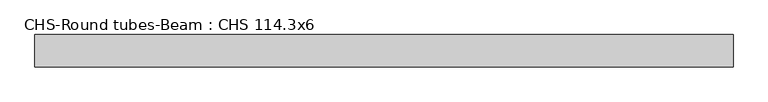
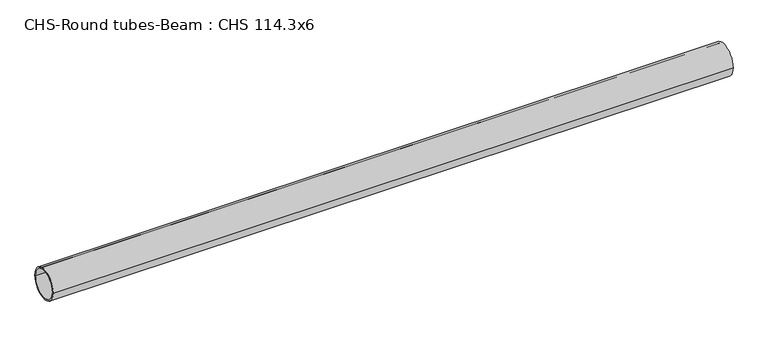
"""IFC4 building model written with IfcOpenShell, lengths in millimetres: beam geometry, CHS-Round tubes-Beam : CHS 114.3x6."""

from ifc_helpers import new_model, si_unit, point, frame, origin, origin_2d, place, context, project, spatial, circle_curve, trimmed, segment, composite_curve, outline, extrude, source, transform, mapped, element, save


def chs_round_tubes_beam_chs_114_3x6_41670b27(model_context):
    return source(origin(), model_context, "Body", "SweptSolid", [
        extrude(outline(composite_curve([segment(trimmed(circle_curve(origin_2d(), 57.15), [point((57.15, 0.0))], [point((-57.15, 0.0))], False, "CARTESIAN"), True, "CONTINUOUS"), segment(trimmed(circle_curve(origin_2d(), 57.15), [point((-57.15, 0.0))], [point((57.15, 0.0))], False, "CARTESIAN"), True, "CONTINUOUS")], self_intersect=False), holes=[composite_curve([segment(trimmed(circle_curve(origin_2d(), 51.15), [point((51.15, 0.0))], [point((-51.15, 0.0))], True, "CARTESIAN"), True, "CONTINUOUS"), segment(trimmed(circle_curve(origin_2d(), 51.15), [point((-51.15, 0.0))], [point((51.15, 0.0))], True, "CARTESIAN"), True, "CONTINUOUS")], self_intersect=False)]), frame((-1198.6917826, 0.0, 0.0), z_axis=(1.0, 0.0, 0.0), x_axis=(0.0, 1.0, 0.0)), (0.0, 0.0, 1.0), 2471.4074802),
    ])


if __name__ == "__main__":
    model = new_model("IFC4")
    model_context = context("Model", 3, world=origin())
    ifc_project = project(units=[si_unit("LENGTHUNIT", "METRE", prefix="MILLI")], contexts=[model_context])
    site = spatial("IfcSite", under=ifc_project)
    building = spatial("IfcBuilding", under=site)
    placement = place(None, origin())
    chs_round_tubes_beam_chs_114_3x6_shape = chs_round_tubes_beam_chs_114_3x6_41670b27(model_context)
    element("IfcBeam", 1, ObjectType="CHS-Round tubes-Beam : CHS 114.3x6", at=placement, inside=building, context=model_context, shape_type="MappedRepresentation", body=[
        mapped(chs_round_tubes_beam_chs_114_3x6_shape, transform((0.0, 0.0, 0.0), x_axis=(1.0, 0.0, 0.0), y_axis=(0.0, 1.0, 0.0), z_axis=(0.0, 0.0, 1.0))),
    ])
    save(model, "model.ifc")
